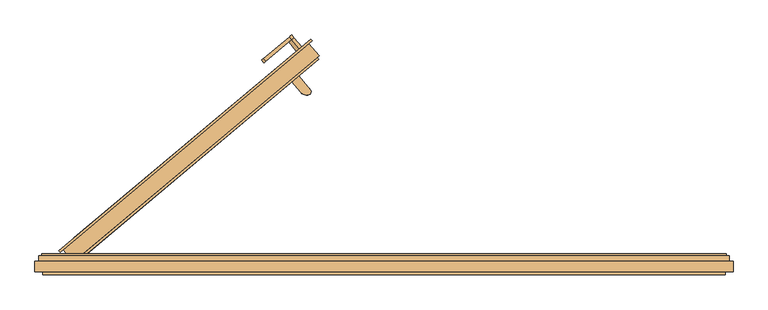
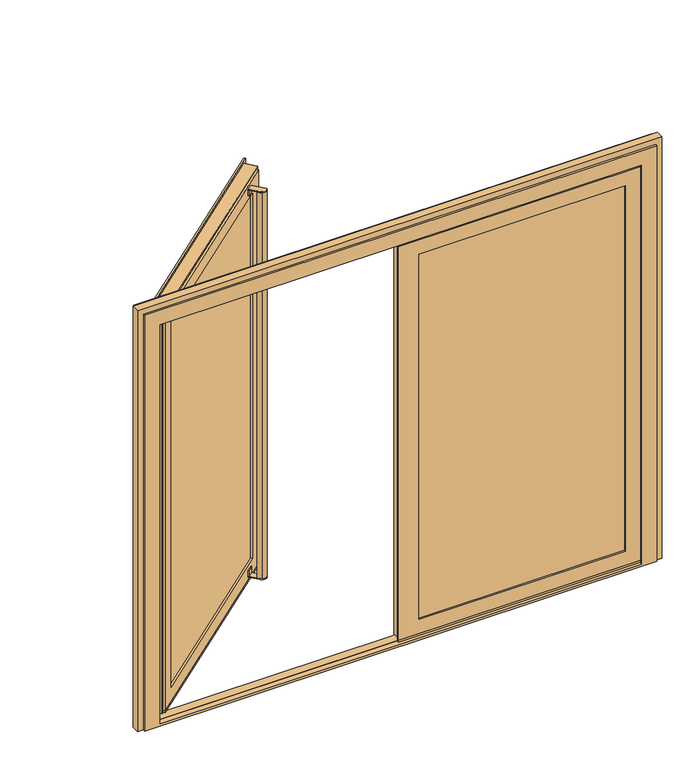
"""IFC4 building model written with IfcOpenShell, lengths in millimetres: door geometry."""

from ifc_helpers import new_model, si_unit, point, frame, frame_2d, origin, place, context, project, spatial, polyline, circle_curve, ellipse_curve, trimmed, segment, composite_curve, outline, extrude, faceted_brep, source, transform, mapped, element, save
from ifc_brep_helpers import plane_surface, cylinder_surface, extruded_surface, advanced_brep


def door_cc8b9c2b(model_context):
    return source(origin(), model_context, "Body", "SolidModel", [
        extrude(outline(composite_curve([segment(polyline([(-334.5330609, 689.793296), (-308.9941232, 711.2230092), (-267.3856364, 661.6359455)]), True, "CONTINUOUS"), segment(trimmed(circle_curve(frame_2d((-276.2869904, 654.1668227)), 11.6198924), [point((-267.3856364, 661.6359455))], [point((-272.4163735, 643.2105357))], False, "CARTESIAN"), True, "CONTINUOUS"), segment(trimmed(circle_curve(frame_2d((-281.4695762, 668.8368095)), 27.1784177), [point((-272.4163735, 643.2105357))], [point((-302.2894521, 651.3668593))], False, "CARTESIAN"), True, "CONTINUOUS"), segment(polyline([(-302.2894521, 651.3668593), (-334.5330609, 689.793296)]), True, "CONTINUOUS")], self_intersect=False)), frame((0.0, 0.0, 2023.9218203), z_axis=(0.0, 0.0, 1.0), x_axis=(1.0, 0.0, 0.0)), (0.0, 0.0, 1.0), 4.0),
        extrude(outline(polyline([(-331.9619105, 686.7291182), (-334.5330609, 689.793296), (-308.9941232, 711.2230092), (-306.4229728, 708.1588314), (-331.9619105, 686.7291182)])), frame((0.0, 0.0, 1993.9218203), z_axis=(0.0, 0.0, 1.0), x_axis=(1.0, 0.0, 0.0)), (0.0, 0.0, 1.0), 30.0),
        extrude(outline(polyline([(-331.9619105, 686.7291182), (-334.5330609, 689.793296), (-308.9941232, 711.2230092), (-306.4229728, 708.1588314), (-331.9619105, 686.7291182)])), frame((0.0, 0.0, 49.9218203), z_axis=(0.0, 0.0, 1.0), x_axis=(1.0, 0.0, 0.0)), (0.0, 0.0, 1.0), 30.0),
        extrude(outline(composite_curve([segment(polyline([(-334.5330609, 689.793296), (-308.9941232, 711.2230092), (-267.3856364, 661.6359455)]), True, "CONTINUOUS"), segment(trimmed(circle_curve(frame_2d((-276.2869904, 654.1668227)), 11.6198924), [point((-267.3856364, 661.6359455))], [point((-272.4163735, 643.2105357))], False, "CARTESIAN"), True, "CONTINUOUS"), segment(trimmed(circle_curve(frame_2d((-281.4695762, 668.8368095)), 27.1784177), [point((-272.4163735, 643.2105357))], [point((-302.2894521, 651.3668593))], False, "CARTESIAN"), True, "CONTINUOUS"), segment(polyline([(-302.2894521, 651.3668593), (-334.5330609, 689.793296)]), True, "CONTINUOUS")], self_intersect=False)), frame((0.0, 0.0, 45.9218203), z_axis=(0.0, 0.0, 1.0), x_axis=(1.0, 0.0, 0.0)), (0.0, 0.0, 1.0), 4.0),
        advanced_brep(
        [(-280.7851125, 671.452996, 2023.9218203), (-290.8298371, 643.8553163, 2023.9218203), (-280.7851125, 671.452996, 49.9218203), (-290.8298371, 643.8553163, 49.9218203)],
        [
            (0, 1, ellipse_curve(frame((-285.8074748, 657.6541562, 2023.9218203), z_axis=(0.0, 0.0, 1.0), x_axis=(0.9396927227830432, -0.342019863090714, 0.0)), 21.5840887, 14.6844171)),
            (1, 0, ellipse_curve(frame((-285.8074748, 657.6541562, 2023.9218203), z_axis=(0.0, 0.0, 1.0), x_axis=(0.9396927227830432, -0.342019863090714, 0.0)), 21.5840887, 14.6844171)),
            (2, 3, ellipse_curve(frame((-285.8074748, 657.6541562, 49.9218203), z_axis=(0.0, 0.0, -1.0), x_axis=(-0.342019863090714, -0.9396927227830432, 0.0)), 14.6844171, 21.5840887)),
            (3, 2, ellipse_curve(frame((-285.8074748, 657.6541562, 49.9218203), z_axis=(0.0, 0.0, -1.0), x_axis=(-0.342019863090714, -0.9396927227830432, 0.0)), 14.6844171, 21.5840887)),
            (1, 3),
            (2, 0),
        ],
        [
            plane_surface(frame((-290.8298371, 643.8553163, 2023.9218203), z_axis=(0.0, 0.0, 1.0), x_axis=(0.9396927227830432, -0.342019863090714, 0.0))),
            plane_surface(frame((-290.8298371, 643.8553163, 49.9218203), z_axis=(0.0, 0.0, -1.0), x_axis=(-0.9396927227830432, 0.342019863090714, 0.0))),
            extruded_surface(trimmed(ellipse_curve(frame((-285.8074748, 657.6541562, -1924.0781797), z_axis=(0.0, 0.0, 1.0), x_axis=(-0.342019863090714, -0.9396927227830432, 0.0)), 14.6844171, 21.5840887), [point((-290.8298371, 643.8553163, -1924.0781797))], [point((-280.7851125, 671.452996, -1924.0781797))], True, "CARTESIAN"), (0.0, 0.0, 1974.0), 1974.0),
            extruded_surface(trimmed(ellipse_curve(frame((-285.8074748, 657.6541562, -1924.0781797), z_axis=(0.0, 0.0, 1.0), x_axis=(-0.342019863090714, -0.9396927227830432, 0.0)), 14.6844171, 21.5840887), [point((-280.7851125, 671.452996, -1924.0781797))], [point((-290.8298371, 643.8553163, -1924.0781797))], True, "CARTESIAN"), (0.0, 0.0, 1974.0), 1974.0),
        ],
        [
            (0, [[1, 2]]),
            (1, [[3, 4]]),
            (2, [[-2, 5, -3, 6]]),
            (3, [[-1, -6, -4, -5]]),
        ],
    ),
        advanced_brep(
        [(-344.6867521, 852.2816525, 1030.9991882), (-437.8850923, 774.0789597, 1030.9991882), (-437.8850923, 774.0789597, 1054.9764498), (-344.6867521, 852.2816525, 1054.9764498), (-336.6518511, 842.7060304, 1054.9764498), (-429.8501912, 764.5033375, 1054.9764498), (-429.8501912, 764.5033375, 1030.9991882), (-336.6518511, 842.7060304, 1030.9991882), (-308.6906656, 809.3831871, 1030.9991882), (-308.6906656, 809.3831871, 1054.9764498)],
        [
            (0, 1),
            (1, 2, ellipse_curve(frame((-437.8850923, 774.0789597, 1042.987819), z_axis=(-0.6427876096865364, 0.7660444431189806, 0.0), x_axis=(0.0, 0.0, -1.0)), 11.9886308, 7.9050795)),
            (2, 3),
            (3, 0, circle_curve(frame((-344.6867521, 852.2816525, 1042.987819), z_axis=(-0.6427876096865364, 0.7660444431189806, 0.0), x_axis=(0.0, 0.0, 1.0)), 11.9886308)),
            (4, 5),
            (5, 6, ellipse_curve(frame((-429.8501912, 764.5033375, 1042.987819), z_axis=(0.6427876096865364, -0.7660444431189806, 0.0), x_axis=(0.0, 0.0, -1.0)), 11.9886308, 7.9050795)),
            (6, 7),
            (7, 4, circle_curve(frame((-336.6518511, 842.7060304, 1042.987819), z_axis=(-0.6427876096865364, 0.7660444431189806, 0.0), x_axis=(0.0, 0.0, 1.0)), 11.9886308)),
            (0, 7),
            (6, 1),
            (5, 2),
            (4, 3),
            (4, 7, circle_curve(frame((-336.6518511, 842.7060304, 1042.987819), z_axis=(-0.6427876096865364, 0.7660444431189806, 0.0), x_axis=(0.0, 0.0, 1.0)), 11.9886308)),
            (8, 9, circle_curve(frame((-308.6906656, 809.3831871, 1042.987819), z_axis=(0.6427876096865364, -0.7660444431189806, 0.0), x_axis=(0.0, 0.0, 1.0)), 11.9886308)),
            (9, 8, circle_curve(frame((-308.6906656, 809.3831871, 1042.987819), z_axis=(0.6427876096865364, -0.7660444431189806, 0.0), x_axis=(0.0, 0.0, 1.0)), 11.9886308)),
            (9, 4),
            (7, 8),
        ],
        [
            plane_surface(frame((-437.8850923, 774.0789597, 1030.9991882), z_axis=(-0.6427876096865364, 0.7660444431189806, 0.0), x_axis=(-0.7660444431189806, -0.6427876096865364, 0.0))),
            plane_surface(frame((-429.8501912, 764.5033375, 1030.9991882), z_axis=(0.6427876096865364, -0.7660444431189806, 0.0), x_axis=(0.7660444431189806, 0.6427876096865364, 0.0))),
            plane_surface(frame((-344.6867521, 852.2816525, 1030.9991882), z_axis=(0.0, 0.0, -1.0), x_axis=(0.6427876096865364, -0.7660444431189806, 0.0))),
            extruded_surface(trimmed(ellipse_curve(frame((-421.8152902, 754.9277153, 1042.987819), z_axis=(-0.6427876096865364, 0.7660444431189806, 0.0), x_axis=(0.0, 0.0, -1.0)), 11.9886308, 7.9050795), [point((-421.8152902, 754.9277153, 1030.9991882))], [point((-421.8152902, 754.9277153, 1054.9764498))], True, "CARTESIAN"), (-8.03490099999999, 9.575622199999998, 0.0), 12.5000869835747),
            plane_surface(frame((-437.8850923, 774.0789597, 1054.9764498), z_axis=(0.0, 0.0, 1.0), x_axis=(0.6427876096865364, -0.7660444431189806, 0.0))),
            cylinder_surface(frame((-336.6518511, 842.7060304, 1042.987819), z_axis=(-0.6427876096865364, 0.7660444431189806, 0.0), x_axis=(0.0, 0.0, 1.0)), 11.9886308),
            plane_surface(frame((-308.6906656, 809.3831871, 1054.9764498), z_axis=(0.6427876096865364, -0.7660444431189806, 0.0), x_axis=(-0.7660444431189806, -0.6427876096865364, 0.0))),
            cylinder_surface(frame((-308.6906656, 809.3831871, 1042.987819), z_axis=(-0.6427876096865364, 0.7660444431189806, 0.0), x_axis=(0.0, 0.0, 1.0)), 11.9886308),
        ],
        [
            (0, [[1, 2, 3, 4]]),
            (1, [[5, 6, 7, 8]]),
            (2, [[-1, 9, -7, 10]]),
            (3, [[-2, -10, -6, 11]]),
            (4, [[-3, -11, -5, 12]]),
            (5, [[-4, -12, 13, -9]]),
            (6, [[14, 15]]),
            (7, [[-15, 16, -8, 17]]),
            (7, [[-14, -17, -13, -16]]),
        ],
    ),
        extrude(outline(polyline([(1894.1303497, 22.0016478), (1894.1303497, -1026.7017781), (-22.0016478, -1026.7017781), (-22.0016478, 22.0016478), (1894.1303497, 22.0016478)]), holes=[polyline([(1872.1287019, -1004.7001304), (1872.1287019, 0.0), (0.0, 0.0), (0.0, -1004.7001304), (1872.1287019, -1004.7001304)])]), frame((-1084.5019889, 108.7943464, 1975.05217), z_axis=(-0.6427876096865413, 0.7660444431189765, 0.0), x_axis=(0.0, 0.0, -1.0)), (0.0, 0.0, 1.0), 38.0002823),
        faceted_brep([(-1181.6530259, 76.8807925, 2069.987819), (-1181.6530259, 76.8807925, 7.987819), (-1176.189154, 70.3692035, 7.987819), (-1176.189154, 70.3692035, 2069.987819), (-266.5582212, 844.7365056, 7.987819), (-261.0943493, 838.2249166, 7.987819), (-261.0943493, 838.2249166, 2069.987819), (-272.534458, 828.6255257, 22.9218203), (-1164.7490453, 79.9685945, 22.9218203), (-1164.7490453, 79.9685945, 2055.0538178), (-272.534458, 828.6255257, 2055.0538178), (-266.5582212, 844.7365056, 2069.987819), (-1125.7823395, 123.7618649, 80.9218203), (-322.4289076, 797.8554333, 80.9218203), (-322.4289076, 797.8554333, 1997.0538178), (-1125.7823395, 123.7618649, 1997.0538178), (-1083.3581758, 73.2027154, 1997.0538178), (-1083.3581758, 73.2027154, 80.9218203), (-280.0047439, 747.2962838, 80.9218203), (-280.0047439, 747.2962838, 1997.0538178), (-1064.2070648, 89.2724056, 105.9218203), (-299.155855, 731.2265936, 105.9218203), (-299.155855, 731.2265936, 1972.0538178), (-1064.2070648, 89.2724056, 1972.0538178), (-1058.4221577, 82.3782219, 1972.0538178), (-1058.4221577, 82.3782219, 105.9218203), (-293.3709479, 724.3324098, 105.9218203), (-293.3709479, 724.3324098, 1972.0538178), (-1114.3434021, 35.4547264, 32.9218203), (-237.4497036, 771.2559053, 32.9218203), (-237.4497036, 771.2559053, 2045.0538178), (-1114.3434021, 35.4547264, 2045.0538178), (-1119.8070694, 41.9660715, 2045.0538178), (-1119.8070694, 41.9660715, 32.9218203), (-242.9133709, 777.7672505, 32.9218203), (-242.9133709, 777.7672505, 2045.0538178), (-1127.4675138, 35.5381954, 22.9218203), (-235.2529265, 784.1951266, 22.9218203), (-235.2529265, 784.1951266, 2055.0538178), (-1127.4675138, 35.5381954, 2055.0538178)], [[[0, 1, 2, 3]], [[1, 4, 5, 2]], [[2, 5, 6, 3], [7, 8, 9, 10]], [[4, 11, 6, 5]], [[4, 1, 0, 11], [12, 13, 14, 15]], [[16, 17, 12, 15]], [[17, 18, 13, 12]], [[18, 19, 14, 13]], [[18, 17, 16, 19], [20, 21, 22, 23]], [[24, 25, 20, 23]], [[25, 26, 21, 20]], [[26, 27, 22, 21]], [[28, 29, 30, 31], [26, 25, 24, 27]], [[32, 33, 28, 31]], [[33, 34, 29, 28]], [[34, 35, 30, 29]], [[36, 37, 38, 39], [34, 33, 32, 35]], [[9, 8, 36, 39]], [[8, 7, 37, 36]], [[7, 10, 38, 37]], [[11, 0, 3, 6]], [[19, 16, 15, 14]], [[27, 24, 23, 22]], [[35, 32, 31, 30]], [[10, 9, 39, 38]]]),
        extrude(outline(polyline([(-298.002797, 768.7455282), (-280.0047439, 747.2962838), (-1083.3581758, 73.2027154), (-1101.3562289, 94.6519598), (-298.002797, 768.7455282)])), frame((0.0, 0.0, 80.9218203), z_axis=(0.0, 0.0, 1.0), x_axis=(1.0, 0.0, 0.0)), (0.0, 0.0, 1.0), 1916.1319975),
        extrude(outline(polyline([(-1119.8070694, 41.9660715), (-242.9133709, 777.7672505), (-237.4497036, 771.2559053), (-1114.3434021, 35.4547264), (-1119.8070694, 41.9660715)])), frame((0.0, 0.0, 22.9218203), z_axis=(0.0, 0.0, 1.0), x_axis=(1.0, 0.0, 0.0)), (0.0, 0.0, 1.0), 10.0),
        extrude(outline(polyline([(63.0396233, -1.1008595), (63.0396233, 26.8991405), (1111.631953, 26.8991405), (1111.631953, -1.1008595), (63.0396233, -1.1008595)])), frame((0.0, 0.0, 80.9614436), z_axis=(0.0, 0.0, 1.0), x_axis=(1.0, 0.0, 0.0)), (0.0, 0.0, 1.0), 1916.099081),
        extrude(outline(polyline([(80.9614436, 63.0396233), (80.9614436, 1111.631953), (1997.0605245, 1111.631953), (1997.0605245, 63.0396233), (80.9614436, 63.0396233)]), holes=[polyline([(102.9630913, 1089.6303052), (102.9630913, 85.0412711), (1975.0588767, 85.0412711), (1975.0588767, 1089.6303052), (102.9630913, 1089.6303052)])]), frame((0.0, 26.8991405, 0.0), z_axis=(0.0, 1.0, 0.0), x_axis=(0.0, 0.0, 1.0)), (0.0, 0.0, 1.0), 38.0002823),
        faceted_brep([(1086.631953, -10.1005772, 105.9614436), (1086.631953, -10.1005772, 1972.0605245), (1086.631953, -1.1008595, 1972.0605245), (1086.631953, -1.1008595, 105.9614436), (88.0396233, -1.1008595, 105.9614436), (88.0396233, -10.1005772, 105.9614436), (1159.631953, -10.1005772, 32.9614436), (1159.631953, -10.1005772, 2045.0605245), (-10.0, -10.1005772, 2045.0605245), (-10.0, -10.1005772, 32.9614436), (88.0396233, -10.1005772, 1972.0605245), (88.0396233, -1.1008595, 1972.0605245), (63.0396233, -1.1008595, 80.9614436), (63.0396233, -1.1008595, 1997.0605245), (1111.631953, -1.1008595, 1997.0605245), (1111.631953, -1.1008595, 80.9614436), (1111.631953, 64.8994228, 1997.0605245), (1111.631953, 64.8994228, 80.9614436), (63.0396233, 64.8994228, 80.9614436), (63.0396233, 64.8994228, 1997.0605245), (1184.5659543, 64.8994228, 8.0274423), (15.000264, 64.8994228, 8.0274423), (15.000264, 64.8994228, 2069.9945258), (1184.5659543, 64.8994228, 2069.9945258), (1184.5659543, 56.3991471, 2069.9945258), (1184.5659543, 56.3991471, 8.0274423), (15.000264, 56.3991471, 8.0274423), (15.000264, 56.3991471, 2055.0605245), (15.000264, 56.3991471, 2069.9945258), (15.000264, 56.3991471, 22.9614436), (1169.631953, 56.3991471, 2055.0605245), (1169.631953, 56.3991471, 22.9614436), (1169.631953, -1.6006198, 2055.0605245), (1169.631953, -1.6006198, 22.9614436), (5.0396233, -1.6006198, 22.9614436), (5.0396233, 56.3991471, 22.9614436), (5.0396233, 56.3994228, 2055.0605245), (5.0396233, -1.6006198, 32.9614436), (5.0396233, -1.6006198, 2045.0605245), (5.0396233, -1.6006198, 2055.0605245), (1159.631953, -1.6006198, 2045.0605245), (1159.631953, -1.6006198, 32.9614436), (-10.0, -1.6006198, 32.9614436), (-10.0, -1.6006198, 2045.0605245)], [[[0, 1, 2, 3]], [[3, 4, 5, 0]], [[6, 7, 8, 9], [5, 10, 1, 0]], [[4, 11, 10, 5]], [[12, 13, 14, 15], [3, 2, 11, 4]], [[15, 14, 16, 17]], [[17, 18, 12, 15]], [[18, 19, 13, 12]], [[20, 21, 22, 23], [17, 16, 19, 18]], [[20, 23, 24, 25]], [[25, 26, 21, 20]], [[27, 28, 22, 21, 26, 29]], [[24, 28, 27, 30, 31, 29, 26, 25]], [[31, 30, 32, 33]], [[33, 34, 35, 29, 31]], [[29, 35, 36, 27]], [[34, 37, 38, 39, 36, 35]], [[33, 32, 39, 38, 40, 41, 37, 34]], [[41, 40, 7, 6]], [[6, 9, 42, 37, 41]], [[43, 38, 37, 42]], [[9, 8, 43, 42]], [[11, 2, 1, 10]], [[19, 16, 14, 13]], [[23, 22, 28, 24]], [[39, 32, 30, 27, 36]], [[40, 38, 43, 8, 7]]]),
        faceted_brep([(1189.5715687, 64.8994228, 2075.0001402), (1189.5715687, 64.8994228, 0.0), (1189.5715687, 56.3991471, 0.0), (1189.5715687, 56.3991471, 2075.0001402), (-1189.5715687, 56.3991471, 0.0), (-1189.5715687, 56.3991471, 2075.0001402), (-1179.5715763, 56.3991471, 14.800018), (-9.894378, 56.3991471, 14.800018), (15.000264, 56.3991471, 14.800018), (1179.5715763, 56.3991471, 14.800018), (1179.5715763, 56.3991471, 2065.0001478), (15.000264, 56.3991471, 2065.0001478), (-9.894378, 56.3991471, 2065.0001478), (-1179.5715763, 56.3991471, 2065.0001478), (1243.5715648, 64.8994228, 0.0), (1243.5715648, 58.2544623, 0.0), (1253.5714285, 58.2544623, 0.0), (1253.5714285, 38.0, 0.0), (1267.5714285, 38.0, 0.0), (1267.5714285, 0.0, 0.0), (1239.5715648, 0.0, 0.0), (1239.5715648, -10.1005772, 0.0), (-1239.5715648, -10.1005772, 0.0), (-1239.5715648, 0.0, 0.0), (-1267.5714285, 0.0, 0.0), (-1267.5714285, 38.0, 0.0), (-1253.5714285, 38.0, 0.0), (-1253.5714285, 58.2544623, 0.0), (-1243.5715648, 58.2544623, 0.0), (-1243.5715648, 64.8994228, 0.0), (-1189.5715687, 64.8994228, 0.0), (-1189.5715687, 64.8994228, 2075.0001402), (-1243.5715648, 64.8994228, 2129.0001364), (1243.5715648, 64.8994228, 2129.0001364), (-1164.5715763, -10.1005772, 2050.0001478), (-1164.5715763, -10.1005772, 12.4272786), (-1164.5715763, -1.6005772, 16.3905146), (-1164.5715763, -1.6005772, 2050.0001478), (1239.5715648, -10.1005772, 2125.0001364), (-1239.5715648, -10.1005772, 2125.0001364), (1164.5715763, -10.1005772, 2050.0001478), (1164.5715763, -10.1005772, 12.4272786), (-1179.5715763, 5.7118606, 19.8000342), (-1179.5715763, -1.6005772, 16.3905146), (1164.5715763, -1.6005772, 16.3905146), (1179.5715763, -1.6005772, 16.3905146), (1179.5715763, 5.7118606, 19.8000342), (1164.5715763, -1.6005772, 2050.0001478), (-1239.5715648, 0.0, 2125.0001364), (1239.5715648, 0.0, 2125.0001364), (-1179.5715763, -1.6005772, 2065.0001478), (1179.5715763, -1.6005772, 2065.0001478), (1179.5715763, 12.5974273, 14.800018), (1179.5715763, 7.59743, 19.8000342), (-1179.5715763, 7.59743, 19.8000342), (-1179.5715763, 12.5974273, 14.800018), (1243.5715648, 58.2544623, 2129.0001364), (-1243.5715648, 58.2544623, 2129.0001364), (1253.5714285, 38.0, 2139.0), (1253.5714285, 58.2544623, 2139.0), (-1253.5714285, 58.2544623, 2139.0), (-1267.5714285, 38.0, 2153.0), (1267.5714285, 38.0, 2153.0), (-1253.5714285, 38.0, 2139.0), (1267.5714285, 0.0, 2153.0), (-1267.5714285, 0.0, 2153.0)], [[[0, 1, 2, 3]], [[3, 2, 4, 5], [6, 7, 8, 9, 10, 11, 12, 13]], [[4, 2, 1, 14, 15, 16, 17, 18, 19, 20, 21, 22, 23, 24, 25, 26, 27, 28, 29, 30]], [[31, 30, 29, 32, 33, 14, 1, 0]], [[34, 35, 36, 37]], [[22, 21, 38, 39], [40, 41, 35, 34]], [[42, 43, 36, 35, 41, 44, 45, 46]], [[47, 44, 41, 40]], [[22, 39, 48, 23]], [[20, 49, 38, 21]], [[30, 31, 5, 4]], [[37, 36, 43, 50, 51, 45, 44, 47]], [[10, 9, 52, 53, 46, 45, 51]], [[50, 43, 42, 54, 55, 6, 13]], [[14, 33, 56, 15]], [[28, 57, 32, 29]], [[58, 17, 16, 59]], [[27, 60, 59, 16, 15, 56, 57, 28]], [[25, 61, 62, 18, 17, 58, 63, 26]], [[64, 19, 18, 62]], [[23, 48, 49, 20, 19, 64, 65, 24]], [[26, 63, 60, 27]], [[24, 65, 61, 25]], [[46, 53, 54, 42]], [[55, 54, 53, 52]], [[52, 9, 8, 7, 6, 55]], [[31, 0, 3, 5]], [[34, 37, 47, 40]], [[63, 58, 59, 60]], [[65, 64, 62, 61]], [[50, 13, 12, 11, 10, 51]], [[48, 39, 38, 49]], [[32, 57, 56, 33]]]),
        extrude(outline(polyline([(-10.0, -1.6006198), (1159.631953, -1.6006198), (1159.631953, -10.1005772), (-10.0, -10.1005772), (-10.0, -1.6006198)])), frame((0.0, 0.0, 22.9614436), z_axis=(0.0, 0.0, 1.0), x_axis=(1.0, 0.0, 0.0)), (0.0, 0.0, 1.0), 10.0),
    ])


if __name__ == "__main__":
    model = new_model("IFC4")
    model_context = context("Model", 3, world=origin())
    ifc_project = project(units=[si_unit("LENGTHUNIT", "METRE", prefix="MILLI")], contexts=[model_context])
    site = spatial("IfcSite", under=ifc_project)
    building = spatial("IfcBuilding", under=site)
    placement = place(None, origin())
    door_shape = door_cc8b9c2b(model_context)
    element("IfcDoor", 1, at=placement, inside=building, context=model_context, shape_type="MappedRepresentation", body=[
        mapped(door_shape, transform((0.0, 0.0, 0.0), x_axis=(1.0, 0.0, 0.0), y_axis=(0.0, 1.0, 0.0), z_axis=(0.0, 0.0, 1.0))),
    ])
    save(model, "model.ifc")
